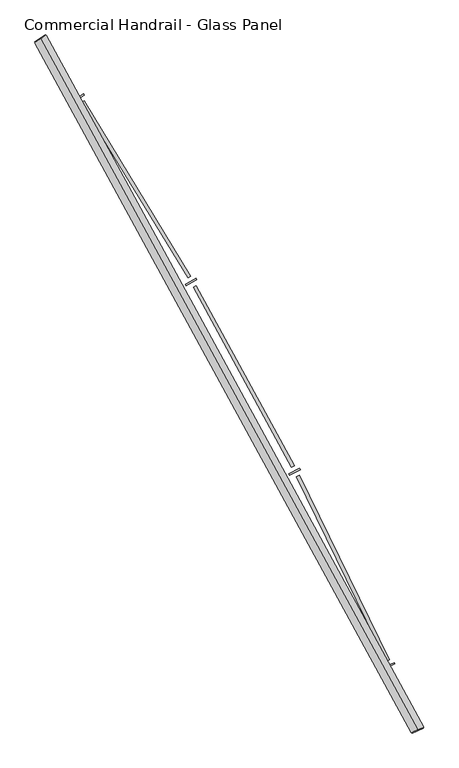
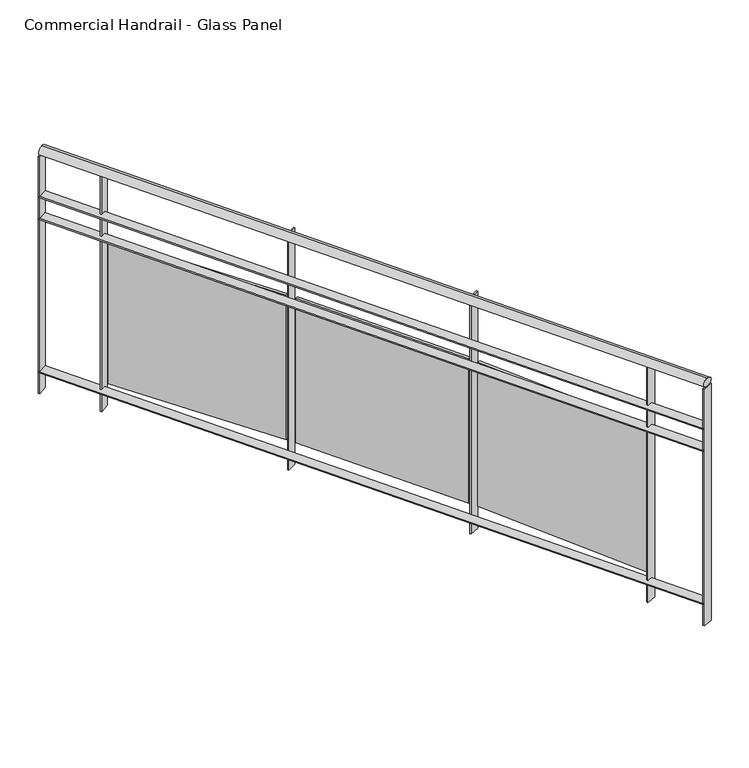
"""IFC4 building model written with IfcOpenShell, lengths in millimetres: railing geometry, Commercial Handrail - Glass Panel."""

from ifc_helpers import new_model, si_unit, point, frame, origin, place, context, project, spatial, polyline, circle_curve, ellipse_curve, trimmed, outline, extrude, source, transform, mapped, element, save
from ifc_brep_helpers import plane_surface, cylinder_surface, revolved_surface, advanced_brep


def commercial_handrail_glass_panel_c1969778(model_context):
    return source(origin(), model_context, "Body", "SolidModel", [
        advanced_brep(
        [(152681.2087099, -42805.7971709, 16282.5), (154079.9485011, -45365.2391742, 16282.5), (154079.9485011, -45365.2391742, 16317.5), (152681.2087099, -42805.7971709, 16317.5)],
        [
            (0, 1, circle_curve(frame((138512.5563245, -52210.9198633, 16282.5), z_axis=(0.0, 0.0, -1.0), x_axis=(0.9154011077709024, 0.40254293173747885, 0.0)), 17006.0884179)),
            (1, 2, ellipse_curve(frame((154079.9485011, -45365.2391742, 16300.0), z_axis=(-0.4025429317374835, 0.9154011077709004, 0.0), x_axis=(0.9154011077709004, 0.4025429317374835, 0.0)), 25.0, 17.5)),
            (2, 3, circle_curve(frame((138512.5563245, -52210.9198633, 16317.5), z_axis=(0.0, 0.0, 1.0), x_axis=(0.9154011077709024, 0.40254293173747885, 0.0)), 17006.0884179)),
            (3, 0, ellipse_curve(frame((152681.2087099, -42805.7971709, 16300.0), z_axis=(0.5530444427532936, -0.8331517534877418, 0.0), x_axis=(0.8331517534877418, 0.5530444427532936, 0.0)), 25.0, 17.5)),
            (2, 1, ellipse_curve(frame((154079.9485011, -45365.2391742, 16300.0), z_axis=(-0.4025429317374835, 0.9154011077709004, 0.0), x_axis=(0.9154011077709004, 0.4025429317374835, 0.0)), 25.0, 17.5)),
            (0, 3, ellipse_curve(frame((152681.2087099, -42805.7971709, 16300.0), z_axis=(0.5530444427532936, -0.8331517534877418, 0.0), x_axis=(0.8331517534877418, 0.5530444427532936, 0.0)), 25.0, 17.5)),
        ],
        [
            revolved_surface(trimmed(ellipse_curve(frame((154079.9485011, -45365.2391742, 16300.0), z_axis=(0.40254293173747885, -0.9154011077709024, 0.0), x_axis=(0.0, 0.0, -1.0)), 17.5, 25.0), [point((154079.9485011, -45365.2391742, 16317.5))], [point((154079.9485011, -45365.2391742, 16282.5))], True, "CARTESIAN"), (138512.5563245, -52210.9198633, 16300.0), (0.0, 0.0, 1.0)),
            revolved_surface(trimmed(ellipse_curve(frame((154079.9485011, -45365.2391742, 16300.0), z_axis=(0.40254293173747885, -0.9154011077709024, 0.0), x_axis=(0.0, 0.0, -1.0)), 17.5, 25.0), [point((154079.9485011, -45365.2391742, 16282.5))], [point((154079.9485011, -45365.2391742, 16317.5))], True, "CARTESIAN"), (138512.5563245, -52210.9198633, 16300.0), (0.0, 0.0, 1.0)),
            plane_surface(frame((154079.9485011, -45365.2391742, 16300.0), z_axis=(0.4025429317374789, -0.9154011077709026, 0.0), x_axis=(0.9154011077709026, 0.4025429317374789, 0.0))),
            plane_surface(frame((152681.2087099, -42805.7971709, 16300.0), z_axis=(-0.5530444427532946, 0.8331517534877412, 0.0), x_axis=(0.8331517534877412, 0.5530444427532946, 0.0))),
        ],
        [
            (0, [[1, 2, 3, 4]]),
            (1, [[-3, 5, -1, 6]]),
            (2, [[-2, -5]]),
            (3, [[-6, -4]]),
        ],
    ),
        advanced_brep(
        [(152662.4627954, -42818.2406708, 16100.0), (154059.3519762, -45374.2963902, 16100.0), (154100.545026, -45356.1819583, 16100.0), (152699.9546243, -42793.3536709, 16100.0), (152662.4627954, -42818.2406708, 16094.0), (154059.3519762, -45374.2963902, 16094.0), (152699.9546243, -42793.3536709, 16094.0), (154100.545026, -45356.1819583, 16094.0)],
        [
            (0, 1, circle_curve(frame((138512.5563245, -52210.9198633, 16100.0), z_axis=(0.0, 0.0, -1.0), x_axis=(0.9154011077709024, 0.40254293173747885, 0.0)), 16983.5884179)),
            (1, 2),
            (2, 3, circle_curve(frame((138512.5563245, -52210.9198633, 16100.0), z_axis=(0.0, 0.0, 1.0), x_axis=(0.9154011077709024, 0.40254293173747885, 0.0)), 17028.5884179)),
            (3, 0),
            (4, 5, circle_curve(frame((138512.5563245, -52210.9198633, 16094.0), z_axis=(0.0, 0.0, -1.0), x_axis=(0.9154011077709024, 0.40254293173747885, 0.0)), 16983.5884179)),
            (5, 1),
            (0, 4),
            (6, 7, circle_curve(frame((138512.5563245, -52210.9198633, 16094.0), z_axis=(0.0, 0.0, -1.0), x_axis=(0.9154011077709024, 0.40254293173747885, 0.0)), 17028.5884179)),
            (7, 5),
            (4, 6),
            (2, 7),
            (6, 3),
        ],
        [
            plane_surface(frame((138512.5563245, -52210.9198633, 16100.0), z_axis=(0.0, 0.0, 1.0000000000000002), x_axis=(0.9154011077709026, 0.4025429317374789, 0.0))),
            revolved_surface(polyline([(154059.35197617073, -45374.296390135845, 16100.0), (154059.35197617073, -45374.296390135845, 16094.0)]), (138512.5563245, -52210.9198633, 16100.0), (0.0, 0.0, 1.0)),
            plane_surface(frame((138512.5563245, -52210.9198633, 16094.0), z_axis=(0.0, 0.0, -1.0000000000000002), x_axis=(0.9154011077709026, 0.4025429317374789, 0.0))),
            cylinder_surface(frame((138512.5563245, -52210.9198633, 16100.0), z_axis=(0.0, 0.0, 1.0), x_axis=(0.9154011077709024, 0.40254293173747885, 0.0)), 17028.5884179),
            plane_surface(frame((154079.9485011, -45365.2391742, 16100.0), z_axis=(0.4025429317374789, -0.9154011077709026, 0.0), x_axis=(0.9154011077709026, 0.4025429317374789, 0.0))),
            plane_surface(frame((152681.2087099, -42805.7971709, 16100.0), z_axis=(-0.5530444427532946, 0.8331517534877412, 0.0), x_axis=(0.8331517534877412, 0.5530444427532946, 0.0))),
        ],
        [
            (0, [[1, 2, 3, 4]]),
            (1, [[5, 6, -1, 7]]),
            (2, [[8, 9, -5, 10]]),
            (3, [[-3, 11, -8, 12]]),
            (4, [[-2, -6, -9, -11]]),
            (5, [[-12, -10, -7, -4]]),
        ],
    ),
        advanced_brep(
        [(152662.4627954, -42818.2406708, 16000.0), (154059.3519762, -45374.2963902, 16000.0), (154100.545026, -45356.1819583, 16000.0), (152699.9546243, -42793.3536709, 16000.0), (152662.4627954, -42818.2406708, 15994.0), (154059.3519762, -45374.2963902, 15994.0), (152699.9546243, -42793.3536709, 15994.0), (154100.545026, -45356.1819583, 15994.0)],
        [
            (0, 1, circle_curve(frame((138512.5563245, -52210.9198633, 16000.0), z_axis=(0.0, 0.0, -1.0), x_axis=(0.9154011077709024, 0.40254293173747885, 0.0)), 16983.5884179)),
            (1, 2),
            (2, 3, circle_curve(frame((138512.5563245, -52210.9198633, 16000.0), z_axis=(0.0, 0.0, 1.0), x_axis=(0.9154011077709024, 0.40254293173747885, 0.0)), 17028.5884179)),
            (3, 0),
            (4, 5, circle_curve(frame((138512.5563245, -52210.9198633, 15994.0), z_axis=(0.0, 0.0, -1.0), x_axis=(0.9154011077709024, 0.40254293173747885, 0.0)), 16983.5884179)),
            (5, 1),
            (0, 4),
            (6, 7, circle_curve(frame((138512.5563245, -52210.9198633, 15994.0), z_axis=(0.0, 0.0, -1.0), x_axis=(0.9154011077709024, 0.40254293173747885, 0.0)), 17028.5884179)),
            (7, 5),
            (4, 6),
            (2, 7),
            (6, 3),
        ],
        [
            plane_surface(frame((138512.5563245, -52210.9198633, 16000.0), z_axis=(0.0, 0.0, 1.0000000000000002), x_axis=(0.9154011077709026, 0.4025429317374789, 0.0))),
            revolved_surface(polyline([(154059.35197617073, -45374.296390135845, 16000.0), (154059.35197617073, -45374.296390135845, 15994.0)]), (138512.5563245, -52210.9198633, 16000.0), (0.0, 0.0, 1.0)),
            plane_surface(frame((138512.5563245, -52210.9198633, 15994.0), z_axis=(0.0, 0.0, -1.0000000000000002), x_axis=(0.9154011077709026, 0.4025429317374789, 0.0))),
            cylinder_surface(frame((138512.5563245, -52210.9198633, 16000.0), z_axis=(0.0, 0.0, 1.0), x_axis=(0.9154011077709024, 0.40254293173747885, 0.0)), 17028.5884179),
            plane_surface(frame((154079.9485011, -45365.2391742, 16000.0), z_axis=(0.4025429317374789, -0.9154011077709026, 0.0), x_axis=(0.9154011077709026, 0.4025429317374789, 0.0))),
            plane_surface(frame((152681.2087099, -42805.7971709, 16000.0), z_axis=(-0.5530444427532946, 0.8331517534877412, 0.0), x_axis=(0.8331517534877412, 0.5530444427532946, 0.0))),
        ],
        [
            (0, [[1, 2, 3, 4]]),
            (1, [[5, 6, -1, 7]]),
            (2, [[8, 9, -5, 10]]),
            (3, [[-3, 11, -8, 12]]),
            (4, [[-2, -6, -9, -11]]),
            (5, [[-12, -10, -7, -4]]),
        ],
    ),
        advanced_brep(
        [(152662.4627954, -42818.2406708, 15300.0), (154059.3519762, -45374.2963902, 15300.0), (154100.545026, -45356.1819583, 15300.0), (152699.9546243, -42793.3536709, 15300.0), (152662.4627954, -42818.2406708, 15294.0), (154059.3519762, -45374.2963902, 15294.0), (152699.9546243, -42793.3536709, 15294.0), (154100.545026, -45356.1819583, 15294.0)],
        [
            (0, 1, circle_curve(frame((138512.5563245, -52210.9198633, 15300.0), z_axis=(0.0, 0.0, -1.0), x_axis=(0.9154011077709024, 0.40254293173747885, 0.0)), 16983.5884179)),
            (1, 2),
            (2, 3, circle_curve(frame((138512.5563245, -52210.9198633, 15300.0), z_axis=(0.0, 0.0, 1.0), x_axis=(0.9154011077709024, 0.40254293173747885, 0.0)), 17028.5884179)),
            (3, 0),
            (4, 5, circle_curve(frame((138512.5563245, -52210.9198633, 15294.0), z_axis=(0.0, 0.0, -1.0), x_axis=(0.9154011077709024, 0.40254293173747885, 0.0)), 16983.5884179)),
            (5, 1),
            (0, 4),
            (6, 7, circle_curve(frame((138512.5563245, -52210.9198633, 15294.0), z_axis=(0.0, 0.0, -1.0), x_axis=(0.9154011077709024, 0.40254293173747885, 0.0)), 17028.5884179)),
            (7, 5),
            (4, 6),
            (2, 7),
            (6, 3),
        ],
        [
            plane_surface(frame((138512.5563245, -52210.9198633, 15300.0), z_axis=(0.0, 0.0, 1.0000000000000002), x_axis=(0.9154011077709026, 0.4025429317374789, 0.0))),
            revolved_surface(polyline([(154059.35197617073, -45374.296390135845, 15300.0), (154059.35197617073, -45374.296390135845, 15294.0)]), (138512.5563245, -52210.9198633, 15300.0), (0.0, 0.0, 1.0)),
            plane_surface(frame((138512.5563245, -52210.9198633, 15294.0), z_axis=(0.0, 0.0, -1.0000000000000002), x_axis=(0.9154011077709026, 0.4025429317374789, 0.0))),
            cylinder_surface(frame((138512.5563245, -52210.9198633, 15300.0), z_axis=(0.0, 0.0, 1.0), x_axis=(0.9154011077709024, 0.40254293173747885, 0.0)), 17028.5884179),
            plane_surface(frame((154079.9485011, -45365.2391742, 15300.0), z_axis=(0.4025429317374789, -0.9154011077709026, 0.0), x_axis=(0.9154011077709026, 0.4025429317374789, 0.0))),
            plane_surface(frame((152681.2087099, -42805.7971709, 15300.0), z_axis=(-0.5530444427532946, 0.8331517534877412, 0.0), x_axis=(0.8331517534877412, 0.5530444427532946, 0.0))),
        ],
        [
            (0, [[1, 2, 3, 4]]),
            (1, [[5, 6, -1, 7]]),
            (2, [[8, 9, -5, 10]]),
            (3, [[-3, 11, -8, 12]]),
            (4, [[-2, -6, -9, -11]]),
            (5, [[-12, -10, -7, -4]]),
        ],
    ),
        extrude(outline(polyline([(152843.9746071, -43014.0028518), (152806.1064717, -43038.3134324), (152802.865061, -43033.2643477), (152840.7331963, -43008.9537671), (152843.9746071, -43014.0028518)])), frame((0.0, 0.0, 15200.0), z_axis=(0.0, 0.0, 1.0), x_axis=(1.0, 0.0, 0.0)), (0.0, 0.0, 1.0), 1082.1192282),
        extrude(outline(polyline([(153228.1233935, -43690.3863087), (152832.6997466, -43041.3561558), (152842.9475911, -43035.1126245), (153238.371238, -43684.1427775), (153228.1233935, -43690.3863087)])), frame((0.0, 0.0, 15320.0), z_axis=(0.0, 0.0, 1.0), x_axis=(1.0, 0.0, 0.0)), (0.0, 0.0, 1.0), 660.0),
        extrude(outline(polyline([(153260.6017897, -43698.1067288), (153221.6323507, -43720.6096803), (153218.6319572, -43715.4137551), (153257.6013961, -43692.9108036), (153260.6017897, -43698.1067288)])), frame((0.0, 0.0, 15200.0), z_axis=(0.0, 0.0, 1.0), x_axis=(1.0, 0.0, 0.0)), (0.0, 0.0, 1.0), 1082.1192282),
        extrude(outline(polyline([(153612.5189238, -44391.8063767), (153248.0531233, -43724.8995764), (153258.5832307, -43719.1448533), (153623.0490312, -44386.0516536), (153612.5189238, -44391.8063767)])), frame((0.0, 0.0, 15320.0), z_axis=(0.0, 0.0, 1.0), x_axis=(1.0, 0.0, 0.0)), (0.0, 0.0, 1.0), 660.0),
        extrude(outline(polyline([(153644.5983402, -44401.0455404), (153604.6138191, -44421.6910742), (153601.8610812, -44416.3598047), (153641.8456024, -44395.7142709), (153644.5983402, -44401.0455404)])), frame((0.0, 0.0, 15200.0), z_axis=(0.0, 0.0, 1.0), x_axis=(1.0, 0.0, 0.0)), (0.0, 0.0, 1.0), 1082.1192282),
        extrude(outline(polyline([(153963.5051916, -45110.5265416), (153630.8036324, -44427.2186516), (153641.5927043, -44421.965469), (153974.2942635, -45105.273359), (153963.5051916, -45110.5265416)])), frame((0.0, 0.0, 15320.0), z_axis=(0.0, 0.0, 1.0), x_axis=(1.0, 0.0, 0.0)), (0.0, 0.0, 1.0), 660.0),
        extrude(outline(polyline([(153995.1146513, -45121.2640068), (153954.2035152, -45140.0064439), (153951.7045236, -45134.5516257), (153992.6156597, -45115.8091887), (153995.1146513, -45121.2640068)])), frame((0.0, 0.0, 15200.0), z_axis=(0.0, 0.0, 1.0), x_axis=(1.0, 0.0, 0.0)), (0.0, 0.0, 1.0), 1082.1192282),
        extrude(outline(polyline([(152701.6137576, -42795.8531262), (152664.1219287, -42820.7401261), (152660.8036621, -42815.7412156), (152698.295491, -42790.8542156), (152701.6137576, -42795.8531262)])), frame((0.0, 0.0, 15200.0), z_axis=(0.0, 0.0, 1.0), x_axis=(1.0, 0.0, 0.0)), (0.0, 0.0, 1.0), 1082.1192282),
        extrude(outline(polyline([(154101.7526548, -45358.9281616), (154060.559605, -45377.0425935), (154058.1443474, -45371.5501869), (154099.3373972, -45353.4357549), (154101.7526548, -45358.9281616)])), frame((0.0, 0.0, 15200.0), z_axis=(0.0, 0.0, 1.0), x_axis=(1.0, 0.0, 0.0)), (0.0, 0.0, 1.0), 1082.1192282),
    ])


if __name__ == "__main__":
    model = new_model("IFC4")
    model_context = context("Model", 3, world=origin())
    ifc_project = project(units=[si_unit("LENGTHUNIT", "METRE", prefix="MILLI")], contexts=[model_context])
    site = spatial("IfcSite", under=ifc_project)
    building = spatial("IfcBuilding", under=site)
    placement = place(None, origin())
    commercial_handrail_glass_panel_shape = commercial_handrail_glass_panel_c1969778(model_context)
    element("IfcRailing", 1, ObjectType="Commercial Handrail - Glass Panel", at=placement, inside=building, context=model_context, shape_type="MappedRepresentation", body=[
        mapped(commercial_handrail_glass_panel_shape, transform((0.0, 0.0, 0.0), x_axis=(1.0, 0.0, 0.0), y_axis=(0.0, 1.0, 0.0), z_axis=(0.0, 0.0, 1.0))),
    ])
    save(model, "model.ifc")
